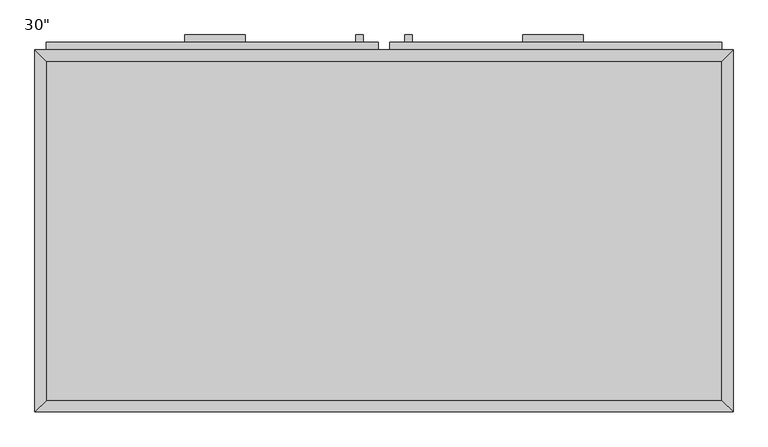
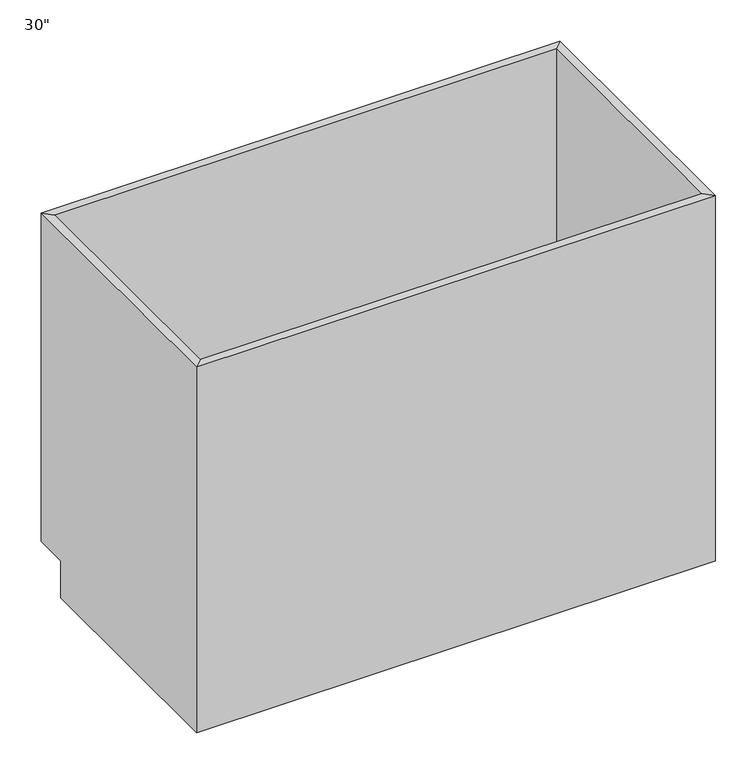
"""IFC4 building model written with IfcOpenShell, lengths in millimetres: furniture geometry."""

from ifc_helpers import new_model, si_unit, frame, origin, place, context, project, spatial, polyline, outline, extrude, faceted_brep, source, transform, mapped, element, save


def furniture_fdccb600(model_context):
    return source(origin(), model_context, "Body", "SolidModel", [
        faceted_brep([(587.7598839, 590.55, 876.3), (-550.2844741, 590.55, 876.3), (-550.2844741, 590.55, 88.9), (587.7598839, 590.55, 88.9), (606.8098839, 609.6, 876.3), (-569.3344741, 609.6, 876.3), (606.8098839, 609.6, 88.9), (-569.3344741, 609.6, 88.9), (-550.2844741, 19.05, 876.3), (-550.2844741, 19.05, 88.9), (-550.2844741, 533.4, 88.9), (-569.3344741, 0.0, 876.3), (-569.3344741, 533.4, 88.9), (-569.3344741, 533.4, 0.0), (-569.3344741, 0.0, 0.0), (587.7598839, 19.05, 876.3), (587.7598839, 19.05, 88.9), (606.8098839, 0.0, 876.3), (606.8098839, 0.0, 0.0), (587.7598839, 533.4, 88.9), (606.8098839, 533.4, 0.0), (606.8098839, 533.4, 88.9)], [[[0, 1, 2, 3]], [[0, 4, 5, 1]], [[4, 6, 7, 5]], [[2, 7, 6, 3]], [[1, 8, 9, 10, 2]], [[5, 11, 8, 1]], [[7, 12, 13, 14, 11, 5]], [[2, 10, 12, 7]], [[8, 15, 16, 9]], [[11, 17, 15, 8]], [[14, 18, 17, 11]], [[3, 19, 16, 15, 0]], [[0, 15, 17, 4]], [[4, 17, 18, 20, 21, 6]], [[6, 21, 19, 3]], [[10, 9, 16, 19]], [[18, 14, 13, 20]], [[13, 12, 10, 19, 21, 20]]]),
        extrude(outline(polyline([(-214.9733846, 635.0), (-214.9733846, 622.3), (-316.5733846, 622.3), (-316.5733846, 635.0), (-214.9733846, 635.0)])), frame((0.0, 0.0, 819.15), z_axis=(0.0, 0.0, 1.0), x_axis=(1.0, 0.0, 0.0)), (0.0, 0.0, 1.0), 12.7),
        extrude(outline(polyline([(354.0487944, 635.0), (354.0487944, 622.3), (252.4487944, 622.3), (252.4487944, 635.0), (354.0487944, 635.0)])), frame((0.0, 0.0, 819.15), z_axis=(0.0, 0.0, 1.0), x_axis=(1.0, 0.0, 0.0)), (0.0, 0.0, 1.0), 12.7),
        extrude(outline(polyline([(-16.1872951, 635.0), (-16.1872951, 622.3), (-28.8872951, 622.3), (-28.8872951, 635.0), (-16.1872951, 635.0)])), frame((0.0, 0.0, 596.9), z_axis=(0.0, 0.0, 1.0), x_axis=(1.0, 0.0, 0.0)), (0.0, 0.0, 1.0), 101.6),
        extrude(outline(polyline([(66.3627049, 635.0), (66.3627049, 622.3), (53.6627049, 622.3), (53.6627049, 635.0), (66.3627049, 635.0)])), frame((0.0, 0.0, 596.9), z_axis=(0.0, 0.0, 1.0), x_axis=(1.0, 0.0, 0.0)), (0.0, 0.0, 1.0), 101.6),
        extrude(outline(polyline([(587.7598839, 19.05), (-550.2844741, 19.05), (-550.2844741, 590.55), (587.7598839, 590.55), (587.7598839, 19.05)])), frame((0.0, 0.0, 88.9), z_axis=(0.0, 0.0, 1.0), x_axis=(1.0, 0.0, 0.0)), (0.0, 0.0, 1.0), 19.05),
        extrude(outline(polyline([(9.2127049, 622.3), (9.2127049, 609.6), (-550.2844741, 609.6), (-550.2844741, 622.3), (9.2127049, 622.3)])), frame((0.0, 0.0, 755.65), z_axis=(0.0, 0.0, 1.0), x_axis=(1.0, 0.0, 0.0)), (0.0, 0.0, 1.0), 101.6),
        extrude(outline(polyline([(587.7598839, 622.3), (587.7598839, 609.6), (28.2627049, 609.6), (28.2627049, 622.3), (587.7598839, 622.3)])), frame((0.0, 0.0, 755.65), z_axis=(0.0, 0.0, 1.0), x_axis=(1.0, 0.0, 0.0)), (0.0, 0.0, 1.0), 101.6),
        extrude(outline(polyline([(9.2127049, 622.3), (9.2127049, 609.6), (-550.2844741, 609.6), (-550.2844741, 622.3), (9.2127049, 622.3)])), frame((0.0, 0.0, 107.95), z_axis=(0.0, 0.0, 1.0), x_axis=(1.0, 0.0, 0.0)), (0.0, 0.0, 1.0), 628.65),
        extrude(outline(polyline([(587.7598839, 622.3), (587.7598839, 609.6), (28.2627049, 609.6), (28.2627049, 622.3), (587.7598839, 622.3)])), frame((0.0, 0.0, 107.95), z_axis=(0.0, 0.0, 1.0), x_axis=(1.0, 0.0, 0.0)), (0.0, 0.0, 1.0), 628.65),
    ])


if __name__ == "__main__":
    model = new_model("IFC4")
    model_context = context("Model", 3, world=origin())
    ifc_project = project(units=[si_unit("LENGTHUNIT", "METRE", prefix="MILLI")], contexts=[model_context])
    site = spatial("IfcSite", under=ifc_project)
    building = spatial("IfcBuilding", under=site)
    placement = place(None, origin())
    furniture_shape = furniture_fdccb600(model_context)
    element("IfcFurniture", 1, ObjectType="30\"", at=placement, inside=building, context=model_context, shape_type="MappedRepresentation", body=[
        mapped(furniture_shape, transform((0.0, 0.0, 0.0), x_axis=(1.0, 0.0, 0.0), y_axis=(0.0, 1.0, 0.0), z_axis=(0.0, 0.0, 1.0))),
    ])
    save(model, "model.ifc")
